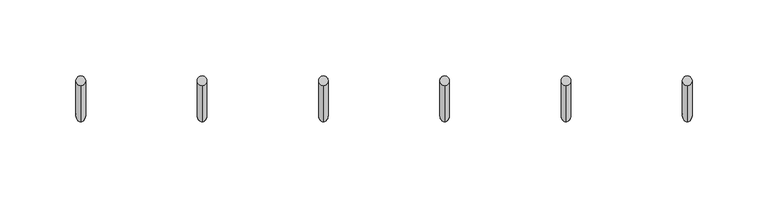
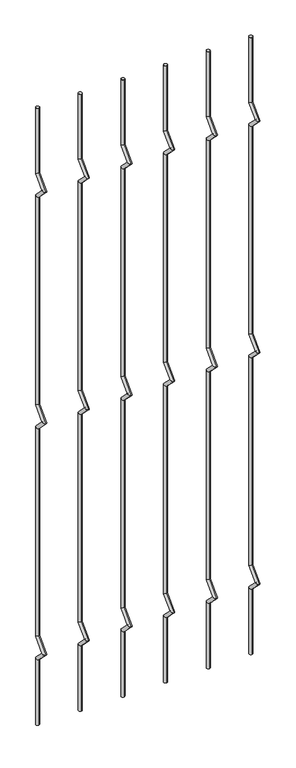
"""IFC4 building model written with IfcOpenShell, lengths in millimetres: railing geometry."""

from ifc_helpers import new_model, si_unit, frame, origin, place, context, project, spatial, circle_curve, ellipse_curve, source, transform, mapped, element, save
from ifc_brep_helpers import plane_surface, cylinder_surface, advanced_brep


def railing_c76bf7b4(model_context):
    return source(origin(), model_context, "Body", "AdvancedBrep", [
        advanced_brep(
        [(-15365.8135905, 14808.5554142, 25.4), (-15365.8135905, 14802.2054142, 25.4), (-15365.8135905, 14802.2054142, 154.0342316), (-15365.8135905, 14808.5554142, 156.6644878), (-15365.8135905, 14778.4396458, 177.8), (-15365.8135905, 14787.419902, 177.8), (-15365.8135905, 14802.2054142, 201.5657684), (-15365.8135905, 14808.5554142, 198.9355122), (-15365.8135905, 14802.2054142, 611.2342316), (-15365.8135905, 14808.5554142, 613.8644878), (-15365.8135905, 14778.4396458, 635.0), (-15365.8135905, 14787.419902, 635.0), (-15365.8135905, 14802.2054142, 658.7657684), (-15365.8135905, 14808.5554142, 656.1355122), (-15365.8135905, 14802.2054142, 1068.4342316), (-15365.8135905, 14808.5554142, 1071.0644878), (-15365.8135905, 14778.4396458, 1092.2), (-15365.8135905, 14787.419902, 1092.2), (-15365.8135905, 14802.2054142, 1115.9657684), (-15365.8135905, 14808.5554142, 1113.3355122), (-15365.8135905, 14808.5554142, 1244.6), (-15365.8135905, 14802.2054142, 1244.6)],
        [
            (0, 1, circle_curve(frame((-15365.8135905, 14805.3804142, 25.4), z_axis=(0.0, 0.0, -1.0), x_axis=(0.0, -1.0, 0.0)), 3.175)),
            (1, 0, circle_curve(frame((-15365.8135905, 14805.3804142, 25.4), z_axis=(0.0, 0.0, -1.0), x_axis=(0.0, -1.0, 0.0)), 3.175)),
            (1, 2),
            (2, 3, ellipse_curve(frame((-15365.8135905, 14805.3804142, 155.3493597), z_axis=(0.0, 0.3826834323650955, -0.9238795325112844), x_axis=(0.0, -0.9238795325112845, -0.38268343236509544)), 3.4365952, 3.175)),
            (3, 0),
            (3, 2, ellipse_curve(frame((-15365.8135905, 14805.3804142, 155.3493597), z_axis=(0.0, 0.3826834323650955, -0.9238795325112844), x_axis=(0.0, -0.9238795325112845, -0.38268343236509544)), 3.4365952, 3.175)),
            (2, 4),
            (4, 5, ellipse_curve(frame((-15365.8135905, 14782.9297739, 177.8), z_axis=(0.0, 0.0, -1.0), x_axis=(0.0, 1.0, 0.0)), 4.4901281, 3.175)),
            (5, 3),
            (5, 4, ellipse_curve(frame((-15365.8135905, 14782.9297739, 177.8), z_axis=(0.0, 0.0, -1.0), x_axis=(0.0, 1.0, 0.0)), 4.4901281, 3.175)),
            (4, 6),
            (6, 7, ellipse_curve(frame((-15365.8135905, 14805.3804142, 200.2506403), z_axis=(0.0, -0.3826834323650839, -0.9238795325112892), x_axis=(0.0, -0.9238795325112893, 0.38268343236508373)), 3.4365952, 3.175)),
            (7, 5),
            (7, 6, ellipse_curve(frame((-15365.8135905, 14805.3804142, 200.2506403), z_axis=(0.0, -0.3826834323650839, -0.9238795325112892), x_axis=(0.0, -0.9238795325112893, 0.38268343236508373)), 3.4365952, 3.175)),
            (6, 8),
            (8, 9, ellipse_curve(frame((-15365.8135905, 14805.3804142, 612.5493597), z_axis=(0.0, 0.3826834323651024, -0.9238795325112816), x_axis=(0.0, -0.9238795325112816, -0.382683432365102)), 3.4365952, 3.175)),
            (9, 7),
            (9, 8, ellipse_curve(frame((-15365.8135905, 14805.3804142, 612.5493597), z_axis=(0.0, 0.3826834323651024, -0.9238795325112816), x_axis=(0.0, -0.9238795325112816, -0.382683432365102)), 3.4365952, 3.175)),
            (8, 10),
            (10, 11, ellipse_curve(frame((-15365.8135905, 14782.9297739, 635.0), z_axis=(0.0, 0.0, -1.0), x_axis=(0.0, 1.0, 0.0)), 4.4901281, 3.175)),
            (11, 9),
            (11, 10, ellipse_curve(frame((-15365.8135905, 14782.9297739, 635.0), z_axis=(0.0, 0.0, -1.0), x_axis=(0.0, 1.0, 0.0)), 4.4901281, 3.175)),
            (10, 12),
            (12, 13, ellipse_curve(frame((-15365.8135905, 14805.3804142, 657.4506403), z_axis=(0.0, -0.3826834323650771, -0.923879532511292), x_axis=(0.0, -0.9238795325112918, 0.3826834323650773)), 3.4365952, 3.175)),
            (13, 11),
            (13, 12, ellipse_curve(frame((-15365.8135905, 14805.3804142, 657.4506403), z_axis=(0.0, -0.3826834323650771, -0.923879532511292), x_axis=(0.0, -0.9238795325112918, 0.3826834323650773)), 3.4365952, 3.175)),
            (12, 14),
            (14, 15, ellipse_curve(frame((-15365.8135905, 14805.3804142, 1069.7493597), z_axis=(0.0, 0.3826834323650978, -0.9238795325112834), x_axis=(0.0, -0.9238795325112834, -0.382683432365098)), 3.4365952, 3.175)),
            (15, 13),
            (15, 14, ellipse_curve(frame((-15365.8135905, 14805.3804142, 1069.7493597), z_axis=(0.0, 0.3826834323650978, -0.9238795325112834), x_axis=(0.0, -0.9238795325112834, -0.382683432365098)), 3.4365952, 3.175)),
            (14, 16),
            (16, 17, ellipse_curve(frame((-15365.8135905, 14782.9297739, 1092.2), z_axis=(0.0, 0.0, -1.0), x_axis=(0.0, 1.0, 0.0)), 4.4901281, 3.175)),
            (17, 15),
            (17, 16, ellipse_curve(frame((-15365.8135905, 14782.9297739, 1092.2), z_axis=(0.0, 0.0, -1.0), x_axis=(0.0, 1.0, 0.0)), 4.4901281, 3.175)),
            (16, 18),
            (18, 19, ellipse_curve(frame((-15365.8135905, 14805.3804142, 1114.6506403), z_axis=(0.0, -0.38268343236508223, -0.9238795325112898), x_axis=(0.0, -0.92387953251129, 0.38268343236508207)), 3.4365952, 3.175)),
            (19, 17),
            (19, 18, ellipse_curve(frame((-15365.8135905, 14805.3804142, 1114.6506403), z_axis=(0.0, -0.38268343236508223, -0.9238795325112898), x_axis=(0.0, -0.92387953251129, 0.38268343236508207)), 3.4365952, 3.175)),
            (20, 21, circle_curve(frame((-15365.8135905, 14805.3804142, 1244.6), z_axis=(0.0, 0.0, 1.0), x_axis=(0.0, -1.0, 0.0)), 3.175)),
            (21, 20, circle_curve(frame((-15365.8135905, 14805.3804142, 1244.6), z_axis=(0.0, 0.0, 1.0), x_axis=(0.0, -1.0, 0.0)), 3.175)),
            (18, 21),
            (20, 19),
        ],
        [
            plane_surface(frame((-15365.8135905, 14805.3804142, 25.4), z_axis=(0.0, 0.0, -1.0), x_axis=(-1.0, 0.0, 0.0))),
            cylinder_surface(frame((-15365.8135905, 14805.3804142, 25.4), z_axis=(0.0, 0.0, -1.0), x_axis=(0.0, -1.0, 0.0)), 3.175),
            cylinder_surface(frame((-15365.8135905, 14805.3804142, 155.3493597), z_axis=(0.0, 0.7071067811865563, -0.7071067811865388), x_axis=(0.0, -0.7071067811865388, -0.7071067811865563)), 3.175),
            cylinder_surface(frame((-15365.8135905, 14782.9297739, 177.8), z_axis=(0.0, -0.7071067811865385, -0.7071067811865568), x_axis=(0.0, -0.7071067811865568, 0.7071067811865385)), 3.175),
            cylinder_surface(frame((-15365.8135905, 14805.3804142, 200.2506403), z_axis=(0.0, 0.0, -1.0), x_axis=(0.0, -1.0, 0.0)), 3.175),
            cylinder_surface(frame((-15365.8135905, 14805.3804142, 612.5493597), z_axis=(0.0, 0.7071067811865669, -0.707106781186528), x_axis=(0.0, -0.707106781186528, -0.7071067811865669)), 3.175),
            cylinder_surface(frame((-15365.8135905, 14782.9297739, 635.0), z_axis=(0.0, -0.7071067811865279, -0.7071067811865672), x_axis=(0.0, -0.7071067811865672, 0.7071067811865279)), 3.175),
            cylinder_surface(frame((-15365.8135905, 14805.3804142, 657.4506403), z_axis=(0.0, 0.0, -1.0), x_axis=(0.0, -1.0, 0.0)), 3.175),
            cylinder_surface(frame((-15365.8135905, 14805.3804142, 1069.7493597), z_axis=(0.0, 0.7071067811865601, -0.707106781186535), x_axis=(0.0, -0.707106781186535, -0.7071067811865601)), 3.175),
            cylinder_surface(frame((-15365.8135905, 14782.9297739, 1092.2), z_axis=(0.0, -0.7071067811865356, -0.7071067811865596), x_axis=(0.0, -0.7071067811865596, 0.7071067811865356)), 3.175),
            plane_surface(frame((-15365.8135905, 14805.3804142, 1244.6), z_axis=(0.0, 0.0, 1.0), x_axis=(-1.0, 0.0, 0.0))),
            cylinder_surface(frame((-15365.8135905, 14805.3804142, 1114.6506403), z_axis=(0.0, 0.0, -1.0), x_axis=(0.0, -1.0, 0.0)), 3.175),
        ],
        [
            (0, [[1, 2]]),
            (1, [[3, 4, 5, -2]]),
            (1, [[-5, 6, -3, -1]]),
            (2, [[7, 8, 9, -4]]),
            (2, [[-9, 10, -7, -6]]),
            (3, [[11, 12, 13, -8]]),
            (3, [[-13, 14, -11, -10]]),
            (4, [[15, 16, 17, -12]]),
            (4, [[-17, 18, -15, -14]]),
            (5, [[19, 20, 21, -16]]),
            (5, [[-21, 22, -19, -18]]),
            (6, [[23, 24, 25, -20]]),
            (6, [[-25, 26, -23, -22]]),
            (7, [[27, 28, 29, -24]]),
            (7, [[-29, 30, -27, -26]]),
            (8, [[31, 32, 33, -28]]),
            (8, [[-33, 34, -31, -30]]),
            (9, [[35, 36, 37, -32]]),
            (9, [[-37, 38, -35, -34]]),
            (10, [[39, 40]]),
            (11, [[41, -39, 42, -36]]),
            (11, [[-42, -40, -41, -38]]),
        ],
    ),
        advanced_brep(
        [(-15285.9372747, 14808.5554142, 25.4), (-15285.9372747, 14802.2054142, 25.4), (-15285.9372747, 14802.2054142, 154.0342316), (-15285.9372747, 14808.5554142, 156.6644878), (-15285.9372747, 14778.4396458, 177.8), (-15285.9372747, 14787.419902, 177.8), (-15285.9372747, 14802.2054142, 201.5657684), (-15285.9372747, 14808.5554142, 198.9355122), (-15285.9372747, 14802.2054142, 611.2342316), (-15285.9372747, 14808.5554142, 613.8644878), (-15285.9372747, 14778.4396458, 635.0), (-15285.9372747, 14787.419902, 635.0), (-15285.9372747, 14802.2054142, 658.7657684), (-15285.9372747, 14808.5554142, 656.1355122), (-15285.9372747, 14802.2054142, 1068.4342316), (-15285.9372747, 14808.5554142, 1071.0644878), (-15285.9372747, 14778.4396458, 1092.2), (-15285.9372747, 14787.419902, 1092.2), (-15285.9372747, 14802.2054142, 1115.9657684), (-15285.9372747, 14808.5554142, 1113.3355122), (-15285.9372747, 14808.5554142, 1244.6), (-15285.9372747, 14802.2054142, 1244.6)],
        [
            (0, 1, circle_curve(frame((-15285.9372747, 14805.3804142, 25.4), z_axis=(0.0, 0.0, -1.0), x_axis=(0.0, -1.0, 0.0)), 3.175)),
            (1, 0, circle_curve(frame((-15285.9372747, 14805.3804142, 25.4), z_axis=(0.0, 0.0, -1.0), x_axis=(0.0, -1.0, 0.0)), 3.175)),
            (1, 2),
            (2, 3, ellipse_curve(frame((-15285.9372747, 14805.3804142, 155.3493597), z_axis=(0.0, 0.3826834323650955, -0.9238795325112844), x_axis=(0.0, -0.9238795325112845, -0.38268343236509544)), 3.4365952, 3.175)),
            (3, 0),
            (3, 2, ellipse_curve(frame((-15285.9372747, 14805.3804142, 155.3493597), z_axis=(0.0, 0.3826834323650955, -0.9238795325112844), x_axis=(0.0, -0.9238795325112845, -0.38268343236509544)), 3.4365952, 3.175)),
            (2, 4),
            (4, 5, ellipse_curve(frame((-15285.9372747, 14782.9297739, 177.8), z_axis=(0.0, 0.0, -1.0), x_axis=(0.0, 1.0, 0.0)), 4.4901281, 3.175)),
            (5, 3),
            (5, 4, ellipse_curve(frame((-15285.9372747, 14782.9297739, 177.8), z_axis=(0.0, 0.0, -1.0), x_axis=(0.0, 1.0, 0.0)), 4.4901281, 3.175)),
            (4, 6),
            (6, 7, ellipse_curve(frame((-15285.9372747, 14805.3804142, 200.2506403), z_axis=(0.0, -0.3826834323650839, -0.9238795325112892), x_axis=(0.0, -0.9238795325112893, 0.38268343236508373)), 3.4365952, 3.175)),
            (7, 5),
            (7, 6, ellipse_curve(frame((-15285.9372747, 14805.3804142, 200.2506403), z_axis=(0.0, -0.3826834323650839, -0.9238795325112892), x_axis=(0.0, -0.9238795325112893, 0.38268343236508373)), 3.4365952, 3.175)),
            (6, 8),
            (8, 9, ellipse_curve(frame((-15285.9372747, 14805.3804142, 612.5493597), z_axis=(0.0, 0.3826834323651024, -0.9238795325112816), x_axis=(0.0, -0.9238795325112816, -0.382683432365102)), 3.4365952, 3.175)),
            (9, 7),
            (9, 8, ellipse_curve(frame((-15285.9372747, 14805.3804142, 612.5493597), z_axis=(0.0, 0.3826834323651024, -0.9238795325112816), x_axis=(0.0, -0.9238795325112816, -0.382683432365102)), 3.4365952, 3.175)),
            (8, 10),
            (10, 11, ellipse_curve(frame((-15285.9372747, 14782.9297739, 635.0), z_axis=(0.0, 0.0, -1.0), x_axis=(0.0, 1.0, 0.0)), 4.4901281, 3.175)),
            (11, 9),
            (11, 10, ellipse_curve(frame((-15285.9372747, 14782.9297739, 635.0), z_axis=(0.0, 0.0, -1.0), x_axis=(0.0, 1.0, 0.0)), 4.4901281, 3.175)),
            (10, 12),
            (12, 13, ellipse_curve(frame((-15285.9372747, 14805.3804142, 657.4506403), z_axis=(0.0, -0.3826834323650771, -0.923879532511292), x_axis=(0.0, -0.9238795325112918, 0.3826834323650773)), 3.4365952, 3.175)),
            (13, 11),
            (13, 12, ellipse_curve(frame((-15285.9372747, 14805.3804142, 657.4506403), z_axis=(0.0, -0.3826834323650771, -0.923879532511292), x_axis=(0.0, -0.9238795325112918, 0.3826834323650773)), 3.4365952, 3.175)),
            (12, 14),
            (14, 15, ellipse_curve(frame((-15285.9372747, 14805.3804142, 1069.7493597), z_axis=(0.0, 0.3826834323650978, -0.9238795325112834), x_axis=(0.0, -0.9238795325112834, -0.382683432365098)), 3.4365952, 3.175)),
            (15, 13),
            (15, 14, ellipse_curve(frame((-15285.9372747, 14805.3804142, 1069.7493597), z_axis=(0.0, 0.3826834323650978, -0.9238795325112834), x_axis=(0.0, -0.9238795325112834, -0.382683432365098)), 3.4365952, 3.175)),
            (14, 16),
            (16, 17, ellipse_curve(frame((-15285.9372747, 14782.9297739, 1092.2), z_axis=(0.0, 0.0, -1.0), x_axis=(0.0, 1.0, 0.0)), 4.4901281, 3.175)),
            (17, 15),
            (17, 16, ellipse_curve(frame((-15285.9372747, 14782.9297739, 1092.2), z_axis=(0.0, 0.0, -1.0), x_axis=(0.0, 1.0, 0.0)), 4.4901281, 3.175)),
            (16, 18),
            (18, 19, ellipse_curve(frame((-15285.9372747, 14805.3804142, 1114.6506403), z_axis=(0.0, -0.38268343236508223, -0.9238795325112898), x_axis=(0.0, -0.92387953251129, 0.38268343236508207)), 3.4365952, 3.175)),
            (19, 17),
            (19, 18, ellipse_curve(frame((-15285.9372747, 14805.3804142, 1114.6506403), z_axis=(0.0, -0.38268343236508223, -0.9238795325112898), x_axis=(0.0, -0.92387953251129, 0.38268343236508207)), 3.4365952, 3.175)),
            (20, 21, circle_curve(frame((-15285.9372747, 14805.3804142, 1244.6), z_axis=(0.0, 0.0, 1.0), x_axis=(0.0, -1.0, 0.0)), 3.175)),
            (21, 20, circle_curve(frame((-15285.9372747, 14805.3804142, 1244.6), z_axis=(0.0, 0.0, 1.0), x_axis=(0.0, -1.0, 0.0)), 3.175)),
            (18, 21),
            (20, 19),
        ],
        [
            plane_surface(frame((-15285.9372747, 14805.3804142, 25.4), z_axis=(0.0, 0.0, -1.0), x_axis=(-1.0, 0.0, 0.0))),
            cylinder_surface(frame((-15285.9372747, 14805.3804142, 25.4), z_axis=(0.0, 0.0, -1.0), x_axis=(0.0, -1.0, 0.0)), 3.175),
            cylinder_surface(frame((-15285.9372747, 14805.3804142, 155.3493597), z_axis=(0.0, 0.7071067811865563, -0.7071067811865388), x_axis=(0.0, -0.7071067811865388, -0.7071067811865563)), 3.175),
            cylinder_surface(frame((-15285.9372747, 14782.9297739, 177.8), z_axis=(0.0, -0.7071067811865385, -0.7071067811865568), x_axis=(0.0, -0.7071067811865568, 0.7071067811865385)), 3.175),
            cylinder_surface(frame((-15285.9372747, 14805.3804142, 200.2506403), z_axis=(0.0, 0.0, -1.0), x_axis=(0.0, -1.0, 0.0)), 3.175),
            cylinder_surface(frame((-15285.9372747, 14805.3804142, 612.5493597), z_axis=(0.0, 0.7071067811865669, -0.707106781186528), x_axis=(0.0, -0.707106781186528, -0.7071067811865669)), 3.175),
            cylinder_surface(frame((-15285.9372747, 14782.9297739, 635.0), z_axis=(0.0, -0.7071067811865279, -0.7071067811865672), x_axis=(0.0, -0.7071067811865672, 0.7071067811865279)), 3.175),
            cylinder_surface(frame((-15285.9372747, 14805.3804142, 657.4506403), z_axis=(0.0, 0.0, -1.0), x_axis=(0.0, -1.0, 0.0)), 3.175),
            cylinder_surface(frame((-15285.9372747, 14805.3804142, 1069.7493597), z_axis=(0.0, 0.7071067811865601, -0.707106781186535), x_axis=(0.0, -0.707106781186535, -0.7071067811865601)), 3.175),
            cylinder_surface(frame((-15285.9372747, 14782.9297739, 1092.2), z_axis=(0.0, -0.7071067811865356, -0.7071067811865596), x_axis=(0.0, -0.7071067811865596, 0.7071067811865356)), 3.175),
            plane_surface(frame((-15285.9372747, 14805.3804142, 1244.6), z_axis=(0.0, 0.0, 1.0), x_axis=(-1.0, 0.0, 0.0))),
            cylinder_surface(frame((-15285.9372747, 14805.3804142, 1114.6506403), z_axis=(0.0, 0.0, -1.0), x_axis=(0.0, -1.0, 0.0)), 3.175),
        ],
        [
            (0, [[1, 2]]),
            (1, [[3, 4, 5, -2]]),
            (1, [[-5, 6, -3, -1]]),
            (2, [[7, 8, 9, -4]]),
            (2, [[-9, 10, -7, -6]]),
            (3, [[11, 12, 13, -8]]),
            (3, [[-13, 14, -11, -10]]),
            (4, [[15, 16, 17, -12]]),
            (4, [[-17, 18, -15, -14]]),
            (5, [[19, 20, 21, -16]]),
            (5, [[-21, 22, -19, -18]]),
            (6, [[23, 24, 25, -20]]),
            (6, [[-25, 26, -23, -22]]),
            (7, [[27, 28, 29, -24]]),
            (7, [[-29, 30, -27, -26]]),
            (8, [[31, 32, 33, -28]]),
            (8, [[-33, 34, -31, -30]]),
            (9, [[35, 36, 37, -32]]),
            (9, [[-37, 38, -35, -34]]),
            (10, [[39, 40]]),
            (11, [[41, -39, 42, -36]]),
            (11, [[-42, -40, -41, -38]]),
        ],
    ),
        advanced_brep(
        [(-15206.0609589, 14808.5554142, 25.4), (-15206.0609589, 14802.2054142, 25.4), (-15206.0609589, 14802.2054142, 154.0342316), (-15206.0609589, 14808.5554142, 156.6644878), (-15206.0609589, 14778.4396458, 177.8), (-15206.0609589, 14787.419902, 177.8), (-15206.0609589, 14802.2054142, 201.5657684), (-15206.0609589, 14808.5554142, 198.9355122), (-15206.0609589, 14802.2054142, 611.2342316), (-15206.0609589, 14808.5554142, 613.8644878), (-15206.0609589, 14778.4396458, 635.0), (-15206.0609589, 14787.419902, 635.0), (-15206.0609589, 14802.2054142, 658.7657684), (-15206.0609589, 14808.5554142, 656.1355122), (-15206.0609589, 14802.2054142, 1068.4342316), (-15206.0609589, 14808.5554142, 1071.0644878), (-15206.0609589, 14778.4396458, 1092.2), (-15206.0609589, 14787.419902, 1092.2), (-15206.0609589, 14802.2054142, 1115.9657684), (-15206.0609589, 14808.5554142, 1113.3355122), (-15206.0609589, 14808.5554142, 1244.6), (-15206.0609589, 14802.2054142, 1244.6)],
        [
            (0, 1, circle_curve(frame((-15206.0609589, 14805.3804142, 25.4), z_axis=(0.0, 0.0, -1.0), x_axis=(0.0, -1.0, 0.0)), 3.175)),
            (1, 0, circle_curve(frame((-15206.0609589, 14805.3804142, 25.4), z_axis=(0.0, 0.0, -1.0), x_axis=(0.0, -1.0, 0.0)), 3.175)),
            (1, 2),
            (2, 3, ellipse_curve(frame((-15206.0609589, 14805.3804142, 155.3493597), z_axis=(0.0, 0.3826834323650955, -0.9238795325112844), x_axis=(0.0, -0.9238795325112845, -0.38268343236509544)), 3.4365952, 3.175)),
            (3, 0),
            (3, 2, ellipse_curve(frame((-15206.0609589, 14805.3804142, 155.3493597), z_axis=(0.0, 0.3826834323650955, -0.9238795325112844), x_axis=(0.0, -0.9238795325112845, -0.38268343236509544)), 3.4365952, 3.175)),
            (2, 4),
            (4, 5, ellipse_curve(frame((-15206.0609589, 14782.9297739, 177.8), z_axis=(0.0, 0.0, -1.0), x_axis=(0.0, 1.0, 0.0)), 4.4901281, 3.175)),
            (5, 3),
            (5, 4, ellipse_curve(frame((-15206.0609589, 14782.9297739, 177.8), z_axis=(0.0, 0.0, -1.0), x_axis=(0.0, 1.0, 0.0)), 4.4901281, 3.175)),
            (4, 6),
            (6, 7, ellipse_curve(frame((-15206.0609589, 14805.3804142, 200.2506403), z_axis=(0.0, -0.3826834323650839, -0.9238795325112892), x_axis=(0.0, -0.9238795325112893, 0.38268343236508373)), 3.4365952, 3.175)),
            (7, 5),
            (7, 6, ellipse_curve(frame((-15206.0609589, 14805.3804142, 200.2506403), z_axis=(0.0, -0.3826834323650839, -0.9238795325112892), x_axis=(0.0, -0.9238795325112893, 0.38268343236508373)), 3.4365952, 3.175)),
            (6, 8),
            (8, 9, ellipse_curve(frame((-15206.0609589, 14805.3804142, 612.5493597), z_axis=(0.0, 0.3826834323651024, -0.9238795325112816), x_axis=(0.0, -0.9238795325112816, -0.382683432365102)), 3.4365952, 3.175)),
            (9, 7),
            (9, 8, ellipse_curve(frame((-15206.0609589, 14805.3804142, 612.5493597), z_axis=(0.0, 0.3826834323651024, -0.9238795325112816), x_axis=(0.0, -0.9238795325112816, -0.382683432365102)), 3.4365952, 3.175)),
            (8, 10),
            (10, 11, ellipse_curve(frame((-15206.0609589, 14782.9297739, 635.0), z_axis=(0.0, 0.0, -1.0), x_axis=(0.0, 1.0, 0.0)), 4.4901281, 3.175)),
            (11, 9),
            (11, 10, ellipse_curve(frame((-15206.0609589, 14782.9297739, 635.0), z_axis=(0.0, 0.0, -1.0), x_axis=(0.0, 1.0, 0.0)), 4.4901281, 3.175)),
            (10, 12),
            (12, 13, ellipse_curve(frame((-15206.0609589, 14805.3804142, 657.4506403), z_axis=(0.0, -0.3826834323650771, -0.923879532511292), x_axis=(0.0, -0.9238795325112918, 0.3826834323650773)), 3.4365952, 3.175)),
            (13, 11),
            (13, 12, ellipse_curve(frame((-15206.0609589, 14805.3804142, 657.4506403), z_axis=(0.0, -0.3826834323650771, -0.923879532511292), x_axis=(0.0, -0.9238795325112918, 0.3826834323650773)), 3.4365952, 3.175)),
            (12, 14),
            (14, 15, ellipse_curve(frame((-15206.0609589, 14805.3804142, 1069.7493597), z_axis=(0.0, 0.3826834323650978, -0.9238795325112834), x_axis=(0.0, -0.9238795325112834, -0.382683432365098)), 3.4365952, 3.175)),
            (15, 13),
            (15, 14, ellipse_curve(frame((-15206.0609589, 14805.3804142, 1069.7493597), z_axis=(0.0, 0.3826834323650978, -0.9238795325112834), x_axis=(0.0, -0.9238795325112834, -0.382683432365098)), 3.4365952, 3.175)),
            (14, 16),
            (16, 17, ellipse_curve(frame((-15206.0609589, 14782.9297739, 1092.2), z_axis=(0.0, 0.0, -1.0), x_axis=(0.0, 1.0, 0.0)), 4.4901281, 3.175)),
            (17, 15),
            (17, 16, ellipse_curve(frame((-15206.0609589, 14782.9297739, 1092.2), z_axis=(0.0, 0.0, -1.0), x_axis=(0.0, 1.0, 0.0)), 4.4901281, 3.175)),
            (16, 18),
            (18, 19, ellipse_curve(frame((-15206.0609589, 14805.3804142, 1114.6506403), z_axis=(0.0, -0.38268343236508223, -0.9238795325112898), x_axis=(0.0, -0.92387953251129, 0.38268343236508207)), 3.4365952, 3.175)),
            (19, 17),
            (19, 18, ellipse_curve(frame((-15206.0609589, 14805.3804142, 1114.6506403), z_axis=(0.0, -0.38268343236508223, -0.9238795325112898), x_axis=(0.0, -0.92387953251129, 0.38268343236508207)), 3.4365952, 3.175)),
            (20, 21, circle_curve(frame((-15206.0609589, 14805.3804142, 1244.6), z_axis=(0.0, 0.0, 1.0), x_axis=(0.0, -1.0, 0.0)), 3.175)),
            (21, 20, circle_curve(frame((-15206.0609589, 14805.3804142, 1244.6), z_axis=(0.0, 0.0, 1.0), x_axis=(0.0, -1.0, 0.0)), 3.175)),
            (18, 21),
            (20, 19),
        ],
        [
            plane_surface(frame((-15206.0609589, 14805.3804142, 25.4), z_axis=(0.0, 0.0, -1.0), x_axis=(-1.0, 0.0, 0.0))),
            cylinder_surface(frame((-15206.0609589, 14805.3804142, 25.4), z_axis=(0.0, 0.0, -1.0), x_axis=(0.0, -1.0, 0.0)), 3.175),
            cylinder_surface(frame((-15206.0609589, 14805.3804142, 155.3493597), z_axis=(0.0, 0.7071067811865563, -0.7071067811865388), x_axis=(0.0, -0.7071067811865388, -0.7071067811865563)), 3.175),
            cylinder_surface(frame((-15206.0609589, 14782.9297739, 177.8), z_axis=(0.0, -0.7071067811865385, -0.7071067811865568), x_axis=(0.0, -0.7071067811865568, 0.7071067811865385)), 3.175),
            cylinder_surface(frame((-15206.0609589, 14805.3804142, 200.2506403), z_axis=(0.0, 0.0, -1.0), x_axis=(0.0, -1.0, 0.0)), 3.175),
            cylinder_surface(frame((-15206.0609589, 14805.3804142, 612.5493597), z_axis=(0.0, 0.7071067811865669, -0.707106781186528), x_axis=(0.0, -0.707106781186528, -0.7071067811865669)), 3.175),
            cylinder_surface(frame((-15206.0609589, 14782.9297739, 635.0), z_axis=(0.0, -0.7071067811865279, -0.7071067811865672), x_axis=(0.0, -0.7071067811865672, 0.7071067811865279)), 3.175),
            cylinder_surface(frame((-15206.0609589, 14805.3804142, 657.4506403), z_axis=(0.0, 0.0, -1.0), x_axis=(0.0, -1.0, 0.0)), 3.175),
            cylinder_surface(frame((-15206.0609589, 14805.3804142, 1069.7493597), z_axis=(0.0, 0.7071067811865601, -0.707106781186535), x_axis=(0.0, -0.707106781186535, -0.7071067811865601)), 3.175),
            cylinder_surface(frame((-15206.0609589, 14782.9297739, 1092.2), z_axis=(0.0, -0.7071067811865356, -0.7071067811865596), x_axis=(0.0, -0.7071067811865596, 0.7071067811865356)), 3.175),
            plane_surface(frame((-15206.0609589, 14805.3804142, 1244.6), z_axis=(0.0, 0.0, 1.0), x_axis=(-1.0, 0.0, 0.0))),
            cylinder_surface(frame((-15206.0609589, 14805.3804142, 1114.6506403), z_axis=(0.0, 0.0, -1.0), x_axis=(0.0, -1.0, 0.0)), 3.175),
        ],
        [
            (0, [[1, 2]]),
            (1, [[3, 4, 5, -2]]),
            (1, [[-5, 6, -3, -1]]),
            (2, [[7, 8, 9, -4]]),
            (2, [[-9, 10, -7, -6]]),
            (3, [[11, 12, 13, -8]]),
            (3, [[-13, 14, -11, -10]]),
            (4, [[15, 16, 17, -12]]),
            (4, [[-17, 18, -15, -14]]),
            (5, [[19, 20, 21, -16]]),
            (5, [[-21, 22, -19, -18]]),
            (6, [[23, 24, 25, -20]]),
            (6, [[-25, 26, -23, -22]]),
            (7, [[27, 28, 29, -24]]),
            (7, [[-29, 30, -27, -26]]),
            (8, [[31, 32, 33, -28]]),
            (8, [[-33, 34, -31, -30]]),
            (9, [[35, 36, 37, -32]]),
            (9, [[-37, 38, -35, -34]]),
            (10, [[39, 40]]),
            (11, [[41, -39, 42, -36]]),
            (11, [[-42, -40, -41, -38]]),
        ],
    ),
        advanced_brep(
        [(-15126.1846431, 14808.5554142, 25.4), (-15126.1846431, 14802.2054142, 25.4), (-15126.1846431, 14802.2054142, 154.0342316), (-15126.1846431, 14808.5554142, 156.6644878), (-15126.1846431, 14778.4396458, 177.8), (-15126.1846431, 14787.419902, 177.8), (-15126.1846431, 14802.2054142, 201.5657684), (-15126.1846431, 14808.5554142, 198.9355122), (-15126.1846431, 14802.2054142, 611.2342316), (-15126.1846431, 14808.5554142, 613.8644878), (-15126.1846431, 14778.4396458, 635.0), (-15126.1846431, 14787.419902, 635.0), (-15126.1846431, 14802.2054142, 658.7657684), (-15126.1846431, 14808.5554142, 656.1355122), (-15126.1846431, 14802.2054142, 1068.4342316), (-15126.1846431, 14808.5554142, 1071.0644878), (-15126.1846431, 14778.4396458, 1092.2), (-15126.1846431, 14787.419902, 1092.2), (-15126.1846431, 14802.2054142, 1115.9657684), (-15126.1846431, 14808.5554142, 1113.3355122), (-15126.1846431, 14808.5554142, 1244.6), (-15126.1846431, 14802.2054142, 1244.6)],
        [
            (0, 1, circle_curve(frame((-15126.1846431, 14805.3804142, 25.4), z_axis=(0.0, 0.0, -1.0), x_axis=(0.0, -1.0, 0.0)), 3.175)),
            (1, 0, circle_curve(frame((-15126.1846431, 14805.3804142, 25.4), z_axis=(0.0, 0.0, -1.0), x_axis=(0.0, -1.0, 0.0)), 3.175)),
            (1, 2),
            (2, 3, ellipse_curve(frame((-15126.1846431, 14805.3804142, 155.3493597), z_axis=(0.0, 0.3826834323650955, -0.9238795325112844), x_axis=(0.0, -0.9238795325112845, -0.38268343236509544)), 3.4365952, 3.175)),
            (3, 0),
            (3, 2, ellipse_curve(frame((-15126.1846431, 14805.3804142, 155.3493597), z_axis=(0.0, 0.3826834323650955, -0.9238795325112844), x_axis=(0.0, -0.9238795325112845, -0.38268343236509544)), 3.4365952, 3.175)),
            (2, 4),
            (4, 5, ellipse_curve(frame((-15126.1846431, 14782.9297739, 177.8), z_axis=(0.0, 0.0, -1.0), x_axis=(0.0, 1.0, 0.0)), 4.4901281, 3.175)),
            (5, 3),
            (5, 4, ellipse_curve(frame((-15126.1846431, 14782.9297739, 177.8), z_axis=(0.0, 0.0, -1.0), x_axis=(0.0, 1.0, 0.0)), 4.4901281, 3.175)),
            (4, 6),
            (6, 7, ellipse_curve(frame((-15126.1846431, 14805.3804142, 200.2506403), z_axis=(0.0, -0.3826834323650839, -0.9238795325112892), x_axis=(0.0, -0.9238795325112893, 0.38268343236508373)), 3.4365952, 3.175)),
            (7, 5),
            (7, 6, ellipse_curve(frame((-15126.1846431, 14805.3804142, 200.2506403), z_axis=(0.0, -0.3826834323650839, -0.9238795325112892), x_axis=(0.0, -0.9238795325112893, 0.38268343236508373)), 3.4365952, 3.175)),
            (6, 8),
            (8, 9, ellipse_curve(frame((-15126.1846431, 14805.3804142, 612.5493597), z_axis=(0.0, 0.3826834323651024, -0.9238795325112816), x_axis=(0.0, -0.9238795325112816, -0.382683432365102)), 3.4365952, 3.175)),
            (9, 7),
            (9, 8, ellipse_curve(frame((-15126.1846431, 14805.3804142, 612.5493597), z_axis=(0.0, 0.3826834323651024, -0.9238795325112816), x_axis=(0.0, -0.9238795325112816, -0.382683432365102)), 3.4365952, 3.175)),
            (8, 10),
            (10, 11, ellipse_curve(frame((-15126.1846431, 14782.9297739, 635.0), z_axis=(0.0, 0.0, -1.0), x_axis=(0.0, 1.0, 0.0)), 4.4901281, 3.175)),
            (11, 9),
            (11, 10, ellipse_curve(frame((-15126.1846431, 14782.9297739, 635.0), z_axis=(0.0, 0.0, -1.0), x_axis=(0.0, 1.0, 0.0)), 4.4901281, 3.175)),
            (10, 12),
            (12, 13, ellipse_curve(frame((-15126.1846431, 14805.3804142, 657.4506403), z_axis=(0.0, -0.3826834323650771, -0.923879532511292), x_axis=(0.0, -0.9238795325112918, 0.3826834323650773)), 3.4365952, 3.175)),
            (13, 11),
            (13, 12, ellipse_curve(frame((-15126.1846431, 14805.3804142, 657.4506403), z_axis=(0.0, -0.3826834323650771, -0.923879532511292), x_axis=(0.0, -0.9238795325112918, 0.3826834323650773)), 3.4365952, 3.175)),
            (12, 14),
            (14, 15, ellipse_curve(frame((-15126.1846431, 14805.3804142, 1069.7493597), z_axis=(0.0, 0.3826834323650978, -0.9238795325112834), x_axis=(0.0, -0.9238795325112834, -0.382683432365098)), 3.4365952, 3.175)),
            (15, 13),
            (15, 14, ellipse_curve(frame((-15126.1846431, 14805.3804142, 1069.7493597), z_axis=(0.0, 0.3826834323650978, -0.9238795325112834), x_axis=(0.0, -0.9238795325112834, -0.382683432365098)), 3.4365952, 3.175)),
            (14, 16),
            (16, 17, ellipse_curve(frame((-15126.1846431, 14782.9297739, 1092.2), z_axis=(0.0, 0.0, -1.0), x_axis=(0.0, 1.0, 0.0)), 4.4901281, 3.175)),
            (17, 15),
            (17, 16, ellipse_curve(frame((-15126.1846431, 14782.9297739, 1092.2), z_axis=(0.0, 0.0, -1.0), x_axis=(0.0, 1.0, 0.0)), 4.4901281, 3.175)),
            (16, 18),
            (18, 19, ellipse_curve(frame((-15126.1846431, 14805.3804142, 1114.6506403), z_axis=(0.0, -0.38268343236508223, -0.9238795325112898), x_axis=(0.0, -0.92387953251129, 0.38268343236508207)), 3.4365952, 3.175)),
            (19, 17),
            (19, 18, ellipse_curve(frame((-15126.1846431, 14805.3804142, 1114.6506403), z_axis=(0.0, -0.38268343236508223, -0.9238795325112898), x_axis=(0.0, -0.92387953251129, 0.38268343236508207)), 3.4365952, 3.175)),
            (20, 21, circle_curve(frame((-15126.1846431, 14805.3804142, 1244.6), z_axis=(0.0, 0.0, 1.0), x_axis=(0.0, -1.0, 0.0)), 3.175)),
            (21, 20, circle_curve(frame((-15126.1846431, 14805.3804142, 1244.6), z_axis=(0.0, 0.0, 1.0), x_axis=(0.0, -1.0, 0.0)), 3.175)),
            (18, 21),
            (20, 19),
        ],
        [
            plane_surface(frame((-15126.1846431, 14805.3804142, 25.4), z_axis=(0.0, 0.0, -1.0), x_axis=(-1.0, 0.0, 0.0))),
            cylinder_surface(frame((-15126.1846431, 14805.3804142, 25.4), z_axis=(0.0, 0.0, -1.0), x_axis=(0.0, -1.0, 0.0)), 3.175),
            cylinder_surface(frame((-15126.1846431, 14805.3804142, 155.3493597), z_axis=(0.0, 0.7071067811865563, -0.7071067811865388), x_axis=(0.0, -0.7071067811865388, -0.7071067811865563)), 3.175),
            cylinder_surface(frame((-15126.1846431, 14782.9297739, 177.8), z_axis=(0.0, -0.7071067811865385, -0.7071067811865568), x_axis=(0.0, -0.7071067811865568, 0.7071067811865385)), 3.175),
            cylinder_surface(frame((-15126.1846431, 14805.3804142, 200.2506403), z_axis=(0.0, 0.0, -1.0), x_axis=(0.0, -1.0, 0.0)), 3.175),
            cylinder_surface(frame((-15126.1846431, 14805.3804142, 612.5493597), z_axis=(0.0, 0.7071067811865669, -0.707106781186528), x_axis=(0.0, -0.707106781186528, -0.7071067811865669)), 3.175),
            cylinder_surface(frame((-15126.1846431, 14782.9297739, 635.0), z_axis=(0.0, -0.7071067811865279, -0.7071067811865672), x_axis=(0.0, -0.7071067811865672, 0.7071067811865279)), 3.175),
            cylinder_surface(frame((-15126.1846431, 14805.3804142, 657.4506403), z_axis=(0.0, 0.0, -1.0), x_axis=(0.0, -1.0, 0.0)), 3.175),
            cylinder_surface(frame((-15126.1846431, 14805.3804142, 1069.7493597), z_axis=(0.0, 0.7071067811865601, -0.707106781186535), x_axis=(0.0, -0.707106781186535, -0.7071067811865601)), 3.175),
            cylinder_surface(frame((-15126.1846431, 14782.9297739, 1092.2), z_axis=(0.0, -0.7071067811865356, -0.7071067811865596), x_axis=(0.0, -0.7071067811865596, 0.7071067811865356)), 3.175),
            plane_surface(frame((-15126.1846431, 14805.3804142, 1244.6), z_axis=(0.0, 0.0, 1.0), x_axis=(-1.0, 0.0, 0.0))),
            cylinder_surface(frame((-15126.1846431, 14805.3804142, 1114.6506403), z_axis=(0.0, 0.0, -1.0), x_axis=(0.0, -1.0, 0.0)), 3.175),
        ],
        [
            (0, [[1, 2]]),
            (1, [[3, 4, 5, -2]]),
            (1, [[-5, 6, -3, -1]]),
            (2, [[7, 8, 9, -4]]),
            (2, [[-9, 10, -7, -6]]),
            (3, [[11, 12, 13, -8]]),
            (3, [[-13, 14, -11, -10]]),
            (4, [[15, 16, 17, -12]]),
            (4, [[-17, 18, -15, -14]]),
            (5, [[19, 20, 21, -16]]),
            (5, [[-21, 22, -19, -18]]),
            (6, [[23, 24, 25, -20]]),
            (6, [[-25, 26, -23, -22]]),
            (7, [[27, 28, 29, -24]]),
            (7, [[-29, 30, -27, -26]]),
            (8, [[31, 32, 33, -28]]),
            (8, [[-33, 34, -31, -30]]),
            (9, [[35, 36, 37, -32]]),
            (9, [[-37, 38, -35, -34]]),
            (10, [[39, 40]]),
            (11, [[41, -39, 42, -36]]),
            (11, [[-42, -40, -41, -38]]),
        ],
    ),
        advanced_brep(
        [(-15046.3083274, 14808.5554142, 25.4), (-15046.3083274, 14802.2054142, 25.4), (-15046.3083274, 14802.2054142, 154.0342316), (-15046.3083274, 14808.5554142, 156.6644878), (-15046.3083274, 14778.4396458, 177.8), (-15046.3083274, 14787.419902, 177.8), (-15046.3083274, 14802.2054142, 201.5657684), (-15046.3083274, 14808.5554142, 198.9355122), (-15046.3083274, 14802.2054142, 611.2342316), (-15046.3083274, 14808.5554142, 613.8644878), (-15046.3083274, 14778.4396458, 635.0), (-15046.3083274, 14787.419902, 635.0), (-15046.3083274, 14802.2054142, 658.7657684), (-15046.3083274, 14808.5554142, 656.1355122), (-15046.3083274, 14802.2054142, 1068.4342316), (-15046.3083274, 14808.5554142, 1071.0644878), (-15046.3083274, 14778.4396458, 1092.2), (-15046.3083274, 14787.419902, 1092.2), (-15046.3083274, 14802.2054142, 1115.9657684), (-15046.3083274, 14808.5554142, 1113.3355122), (-15046.3083274, 14808.5554142, 1244.6), (-15046.3083274, 14802.2054142, 1244.6)],
        [
            (0, 1, circle_curve(frame((-15046.3083274, 14805.3804142, 25.4), z_axis=(0.0, 0.0, -1.0), x_axis=(0.0, -1.0, 0.0)), 3.175)),
            (1, 0, circle_curve(frame((-15046.3083274, 14805.3804142, 25.4), z_axis=(0.0, 0.0, -1.0), x_axis=(0.0, -1.0, 0.0)), 3.175)),
            (1, 2),
            (2, 3, ellipse_curve(frame((-15046.3083274, 14805.3804142, 155.3493597), z_axis=(0.0, 0.3826834323650955, -0.9238795325112844), x_axis=(0.0, -0.9238795325112845, -0.38268343236509544)), 3.4365952, 3.175)),
            (3, 0),
            (3, 2, ellipse_curve(frame((-15046.3083274, 14805.3804142, 155.3493597), z_axis=(0.0, 0.3826834323650955, -0.9238795325112844), x_axis=(0.0, -0.9238795325112845, -0.38268343236509544)), 3.4365952, 3.175)),
            (2, 4),
            (4, 5, ellipse_curve(frame((-15046.3083274, 14782.9297739, 177.8), z_axis=(0.0, 0.0, -1.0), x_axis=(0.0, 1.0, 0.0)), 4.4901281, 3.175)),
            (5, 3),
            (5, 4, ellipse_curve(frame((-15046.3083274, 14782.9297739, 177.8), z_axis=(0.0, 0.0, -1.0), x_axis=(0.0, 1.0, 0.0)), 4.4901281, 3.175)),
            (4, 6),
            (6, 7, ellipse_curve(frame((-15046.3083274, 14805.3804142, 200.2506403), z_axis=(0.0, -0.3826834323650839, -0.9238795325112892), x_axis=(0.0, -0.9238795325112893, 0.38268343236508373)), 3.4365952, 3.175)),
            (7, 5),
            (7, 6, ellipse_curve(frame((-15046.3083274, 14805.3804142, 200.2506403), z_axis=(0.0, -0.3826834323650839, -0.9238795325112892), x_axis=(0.0, -0.9238795325112893, 0.38268343236508373)), 3.4365952, 3.175)),
            (6, 8),
            (8, 9, ellipse_curve(frame((-15046.3083274, 14805.3804142, 612.5493597), z_axis=(0.0, 0.3826834323651024, -0.9238795325112816), x_axis=(0.0, -0.9238795325112816, -0.382683432365102)), 3.4365952, 3.175)),
            (9, 7),
            (9, 8, ellipse_curve(frame((-15046.3083274, 14805.3804142, 612.5493597), z_axis=(0.0, 0.3826834323651024, -0.9238795325112816), x_axis=(0.0, -0.9238795325112816, -0.382683432365102)), 3.4365952, 3.175)),
            (8, 10),
            (10, 11, ellipse_curve(frame((-15046.3083274, 14782.9297739, 635.0), z_axis=(0.0, 0.0, -1.0), x_axis=(0.0, 1.0, 0.0)), 4.4901281, 3.175)),
            (11, 9),
            (11, 10, ellipse_curve(frame((-15046.3083274, 14782.9297739, 635.0), z_axis=(0.0, 0.0, -1.0), x_axis=(0.0, 1.0, 0.0)), 4.4901281, 3.175)),
            (10, 12),
            (12, 13, ellipse_curve(frame((-15046.3083274, 14805.3804142, 657.4506403), z_axis=(0.0, -0.3826834323650771, -0.923879532511292), x_axis=(0.0, -0.9238795325112918, 0.3826834323650773)), 3.4365952, 3.175)),
            (13, 11),
            (13, 12, ellipse_curve(frame((-15046.3083274, 14805.3804142, 657.4506403), z_axis=(0.0, -0.3826834323650771, -0.923879532511292), x_axis=(0.0, -0.9238795325112918, 0.3826834323650773)), 3.4365952, 3.175)),
            (12, 14),
            (14, 15, ellipse_curve(frame((-15046.3083274, 14805.3804142, 1069.7493597), z_axis=(0.0, 0.3826834323650978, -0.9238795325112834), x_axis=(0.0, -0.9238795325112834, -0.382683432365098)), 3.4365952, 3.175)),
            (15, 13),
            (15, 14, ellipse_curve(frame((-15046.3083274, 14805.3804142, 1069.7493597), z_axis=(0.0, 0.3826834323650978, -0.9238795325112834), x_axis=(0.0, -0.9238795325112834, -0.382683432365098)), 3.4365952, 3.175)),
            (14, 16),
            (16, 17, ellipse_curve(frame((-15046.3083274, 14782.9297739, 1092.2), z_axis=(0.0, 0.0, -1.0), x_axis=(0.0, 1.0, 0.0)), 4.4901281, 3.175)),
            (17, 15),
            (17, 16, ellipse_curve(frame((-15046.3083274, 14782.9297739, 1092.2), z_axis=(0.0, 0.0, -1.0), x_axis=(0.0, 1.0, 0.0)), 4.4901281, 3.175)),
            (16, 18),
            (18, 19, ellipse_curve(frame((-15046.3083274, 14805.3804142, 1114.6506403), z_axis=(0.0, -0.38268343236508223, -0.9238795325112898), x_axis=(0.0, -0.92387953251129, 0.38268343236508207)), 3.4365952, 3.175)),
            (19, 17),
            (19, 18, ellipse_curve(frame((-15046.3083274, 14805.3804142, 1114.6506403), z_axis=(0.0, -0.38268343236508223, -0.9238795325112898), x_axis=(0.0, -0.92387953251129, 0.38268343236508207)), 3.4365952, 3.175)),
            (20, 21, circle_curve(frame((-15046.3083274, 14805.3804142, 1244.6), z_axis=(0.0, 0.0, 1.0), x_axis=(0.0, -1.0, 0.0)), 3.175)),
            (21, 20, circle_curve(frame((-15046.3083274, 14805.3804142, 1244.6), z_axis=(0.0, 0.0, 1.0), x_axis=(0.0, -1.0, 0.0)), 3.175)),
            (18, 21),
            (20, 19),
        ],
        [
            plane_surface(frame((-15046.3083274, 14805.3804142, 25.4), z_axis=(0.0, 0.0, -1.0), x_axis=(-1.0, 0.0, 0.0))),
            cylinder_surface(frame((-15046.3083274, 14805.3804142, 25.4), z_axis=(0.0, 0.0, -1.0), x_axis=(0.0, -1.0, 0.0)), 3.175),
            cylinder_surface(frame((-15046.3083274, 14805.3804142, 155.3493597), z_axis=(0.0, 0.7071067811865563, -0.7071067811865388), x_axis=(0.0, -0.7071067811865388, -0.7071067811865563)), 3.175),
            cylinder_surface(frame((-15046.3083274, 14782.9297739, 177.8), z_axis=(0.0, -0.7071067811865385, -0.7071067811865568), x_axis=(0.0, -0.7071067811865568, 0.7071067811865385)), 3.175),
            cylinder_surface(frame((-15046.3083274, 14805.3804142, 200.2506403), z_axis=(0.0, 0.0, -1.0), x_axis=(0.0, -1.0, 0.0)), 3.175),
            cylinder_surface(frame((-15046.3083274, 14805.3804142, 612.5493597), z_axis=(0.0, 0.7071067811865669, -0.707106781186528), x_axis=(0.0, -0.707106781186528, -0.7071067811865669)), 3.175),
            cylinder_surface(frame((-15046.3083274, 14782.9297739, 635.0), z_axis=(0.0, -0.7071067811865279, -0.7071067811865672), x_axis=(0.0, -0.7071067811865672, 0.7071067811865279)), 3.175),
            cylinder_surface(frame((-15046.3083274, 14805.3804142, 657.4506403), z_axis=(0.0, 0.0, -1.0), x_axis=(0.0, -1.0, 0.0)), 3.175),
            cylinder_surface(frame((-15046.3083274, 14805.3804142, 1069.7493597), z_axis=(0.0, 0.7071067811865601, -0.707106781186535), x_axis=(0.0, -0.707106781186535, -0.7071067811865601)), 3.175),
            cylinder_surface(frame((-15046.3083274, 14782.9297739, 1092.2), z_axis=(0.0, -0.7071067811865356, -0.7071067811865596), x_axis=(0.0, -0.7071067811865596, 0.7071067811865356)), 3.175),
            plane_surface(frame((-15046.3083274, 14805.3804142, 1244.6), z_axis=(0.0, 0.0, 1.0), x_axis=(-1.0, 0.0, 0.0))),
            cylinder_surface(frame((-15046.3083274, 14805.3804142, 1114.6506403), z_axis=(0.0, 0.0, -1.0), x_axis=(0.0, -1.0, 0.0)), 3.175),
        ],
        [
            (0, [[1, 2]]),
            (1, [[3, 4, 5, -2]]),
            (1, [[-5, 6, -3, -1]]),
            (2, [[7, 8, 9, -4]]),
            (2, [[-9, 10, -7, -6]]),
            (3, [[11, 12, 13, -8]]),
            (3, [[-13, 14, -11, -10]]),
            (4, [[15, 16, 17, -12]]),
            (4, [[-17, 18, -15, -14]]),
            (5, [[19, 20, 21, -16]]),
            (5, [[-21, 22, -19, -18]]),
            (6, [[23, 24, 25, -20]]),
            (6, [[-25, 26, -23, -22]]),
            (7, [[27, 28, 29, -24]]),
            (7, [[-29, 30, -27, -26]]),
            (8, [[31, 32, 33, -28]]),
            (8, [[-33, 34, -31, -30]]),
            (9, [[35, 36, 37, -32]]),
            (9, [[-37, 38, -35, -34]]),
            (10, [[39, 40]]),
            (11, [[41, -39, 42, -36]]),
            (11, [[-42, -40, -41, -38]]),
        ],
    ),
        advanced_brep(
        [(-14966.4320116, 14808.5554142, 25.4), (-14966.4320116, 14802.2054142, 25.4), (-14966.4320116, 14802.2054142, 154.0342316), (-14966.4320116, 14808.5554142, 156.6644878), (-14966.4320116, 14778.4396458, 177.8), (-14966.4320116, 14787.419902, 177.8), (-14966.4320116, 14802.2054142, 201.5657684), (-14966.4320116, 14808.5554142, 198.9355122), (-14966.4320116, 14802.2054142, 611.2342316), (-14966.4320116, 14808.5554142, 613.8644878), (-14966.4320116, 14778.4396458, 635.0), (-14966.4320116, 14787.419902, 635.0), (-14966.4320116, 14802.2054142, 658.7657684), (-14966.4320116, 14808.5554142, 656.1355122), (-14966.4320116, 14802.2054142, 1068.4342316), (-14966.4320116, 14808.5554142, 1071.0644878), (-14966.4320116, 14778.4396458, 1092.2), (-14966.4320116, 14787.419902, 1092.2), (-14966.4320116, 14802.2054142, 1115.9657684), (-14966.4320116, 14808.5554142, 1113.3355122), (-14966.4320116, 14808.5554142, 1244.6), (-14966.4320116, 14802.2054142, 1244.6)],
        [
            (0, 1, circle_curve(frame((-14966.4320116, 14805.3804142, 25.4), z_axis=(0.0, 0.0, -1.0), x_axis=(0.0, -1.0, 0.0)), 3.175)),
            (1, 0, circle_curve(frame((-14966.4320116, 14805.3804142, 25.4), z_axis=(0.0, 0.0, -1.0), x_axis=(0.0, -1.0, 0.0)), 3.175)),
            (1, 2),
            (2, 3, ellipse_curve(frame((-14966.4320116, 14805.3804142, 155.3493597), z_axis=(0.0, 0.3826834323650955, -0.9238795325112844), x_axis=(0.0, -0.9238795325112845, -0.38268343236509544)), 3.4365952, 3.175)),
            (3, 0),
            (3, 2, ellipse_curve(frame((-14966.4320116, 14805.3804142, 155.3493597), z_axis=(0.0, 0.3826834323650955, -0.9238795325112844), x_axis=(0.0, -0.9238795325112845, -0.38268343236509544)), 3.4365952, 3.175)),
            (2, 4),
            (4, 5, ellipse_curve(frame((-14966.4320116, 14782.9297739, 177.8), z_axis=(0.0, 0.0, -1.0), x_axis=(0.0, 1.0, 0.0)), 4.4901281, 3.175)),
            (5, 3),
            (5, 4, ellipse_curve(frame((-14966.4320116, 14782.9297739, 177.8), z_axis=(0.0, 0.0, -1.0), x_axis=(0.0, 1.0, 0.0)), 4.4901281, 3.175)),
            (4, 6),
            (6, 7, ellipse_curve(frame((-14966.4320116, 14805.3804142, 200.2506403), z_axis=(0.0, -0.3826834323650839, -0.9238795325112892), x_axis=(0.0, -0.9238795325112893, 0.38268343236508373)), 3.4365952, 3.175)),
            (7, 5),
            (7, 6, ellipse_curve(frame((-14966.4320116, 14805.3804142, 200.2506403), z_axis=(0.0, -0.3826834323650839, -0.9238795325112892), x_axis=(0.0, -0.9238795325112893, 0.38268343236508373)), 3.4365952, 3.175)),
            (6, 8),
            (8, 9, ellipse_curve(frame((-14966.4320116, 14805.3804142, 612.5493597), z_axis=(0.0, 0.3826834323651024, -0.9238795325112816), x_axis=(0.0, -0.9238795325112816, -0.382683432365102)), 3.4365952, 3.175)),
            (9, 7),
            (9, 8, ellipse_curve(frame((-14966.4320116, 14805.3804142, 612.5493597), z_axis=(0.0, 0.3826834323651024, -0.9238795325112816), x_axis=(0.0, -0.9238795325112816, -0.382683432365102)), 3.4365952, 3.175)),
            (8, 10),
            (10, 11, ellipse_curve(frame((-14966.4320116, 14782.9297739, 635.0), z_axis=(0.0, 0.0, -1.0), x_axis=(0.0, 1.0, 0.0)), 4.4901281, 3.175)),
            (11, 9),
            (11, 10, ellipse_curve(frame((-14966.4320116, 14782.9297739, 635.0), z_axis=(0.0, 0.0, -1.0), x_axis=(0.0, 1.0, 0.0)), 4.4901281, 3.175)),
            (10, 12),
            (12, 13, ellipse_curve(frame((-14966.4320116, 14805.3804142, 657.4506403), z_axis=(0.0, -0.3826834323650771, -0.923879532511292), x_axis=(0.0, -0.9238795325112918, 0.3826834323650773)), 3.4365952, 3.175)),
            (13, 11),
            (13, 12, ellipse_curve(frame((-14966.4320116, 14805.3804142, 657.4506403), z_axis=(0.0, -0.3826834323650771, -0.923879532511292), x_axis=(0.0, -0.9238795325112918, 0.3826834323650773)), 3.4365952, 3.175)),
            (12, 14),
            (14, 15, ellipse_curve(frame((-14966.4320116, 14805.3804142, 1069.7493597), z_axis=(0.0, 0.3826834323650978, -0.9238795325112834), x_axis=(0.0, -0.9238795325112834, -0.382683432365098)), 3.4365952, 3.175)),
            (15, 13),
            (15, 14, ellipse_curve(frame((-14966.4320116, 14805.3804142, 1069.7493597), z_axis=(0.0, 0.3826834323650978, -0.9238795325112834), x_axis=(0.0, -0.9238795325112834, -0.382683432365098)), 3.4365952, 3.175)),
            (14, 16),
            (16, 17, ellipse_curve(frame((-14966.4320116, 14782.9297739, 1092.2), z_axis=(0.0, 0.0, -1.0), x_axis=(0.0, 1.0, 0.0)), 4.4901281, 3.175)),
            (17, 15),
            (17, 16, ellipse_curve(frame((-14966.4320116, 14782.9297739, 1092.2), z_axis=(0.0, 0.0, -1.0), x_axis=(0.0, 1.0, 0.0)), 4.4901281, 3.175)),
            (16, 18),
            (18, 19, ellipse_curve(frame((-14966.4320116, 14805.3804142, 1114.6506403), z_axis=(0.0, -0.38268343236508223, -0.9238795325112898), x_axis=(0.0, -0.92387953251129, 0.38268343236508207)), 3.4365952, 3.175)),
            (19, 17),
            (19, 18, ellipse_curve(frame((-14966.4320116, 14805.3804142, 1114.6506403), z_axis=(0.0, -0.38268343236508223, -0.9238795325112898), x_axis=(0.0, -0.92387953251129, 0.38268343236508207)), 3.4365952, 3.175)),
            (20, 21, circle_curve(frame((-14966.4320116, 14805.3804142, 1244.6), z_axis=(0.0, 0.0, 1.0), x_axis=(0.0, -1.0, 0.0)), 3.175)),
            (21, 20, circle_curve(frame((-14966.4320116, 14805.3804142, 1244.6), z_axis=(0.0, 0.0, 1.0), x_axis=(0.0, -1.0, 0.0)), 3.175)),
            (18, 21),
            (20, 19),
        ],
        [
            plane_surface(frame((-14966.4320116, 14805.3804142, 25.4), z_axis=(0.0, 0.0, -1.0), x_axis=(-1.0, 0.0, 0.0))),
            cylinder_surface(frame((-14966.4320116, 14805.3804142, 25.4), z_axis=(0.0, 0.0, -1.0), x_axis=(0.0, -1.0, 0.0)), 3.175),
            cylinder_surface(frame((-14966.4320116, 14805.3804142, 155.3493597), z_axis=(0.0, 0.7071067811865563, -0.7071067811865388), x_axis=(0.0, -0.7071067811865388, -0.7071067811865563)), 3.175),
            cylinder_surface(frame((-14966.4320116, 14782.9297739, 177.8), z_axis=(0.0, -0.7071067811865385, -0.7071067811865568), x_axis=(0.0, -0.7071067811865568, 0.7071067811865385)), 3.175),
            cylinder_surface(frame((-14966.4320116, 14805.3804142, 200.2506403), z_axis=(0.0, 0.0, -1.0), x_axis=(0.0, -1.0, 0.0)), 3.175),
            cylinder_surface(frame((-14966.4320116, 14805.3804142, 612.5493597), z_axis=(0.0, 0.7071067811865669, -0.707106781186528), x_axis=(0.0, -0.707106781186528, -0.7071067811865669)), 3.175),
            cylinder_surface(frame((-14966.4320116, 14782.9297739, 635.0), z_axis=(0.0, -0.7071067811865279, -0.7071067811865672), x_axis=(0.0, -0.7071067811865672, 0.7071067811865279)), 3.175),
            cylinder_surface(frame((-14966.4320116, 14805.3804142, 657.4506403), z_axis=(0.0, 0.0, -1.0), x_axis=(0.0, -1.0, 0.0)), 3.175),
            cylinder_surface(frame((-14966.4320116, 14805.3804142, 1069.7493597), z_axis=(0.0, 0.7071067811865601, -0.707106781186535), x_axis=(0.0, -0.707106781186535, -0.7071067811865601)), 3.175),
            cylinder_surface(frame((-14966.4320116, 14782.9297739, 1092.2), z_axis=(0.0, -0.7071067811865356, -0.7071067811865596), x_axis=(0.0, -0.7071067811865596, 0.7071067811865356)), 3.175),
            plane_surface(frame((-14966.4320116, 14805.3804142, 1244.6), z_axis=(0.0, 0.0, 1.0), x_axis=(-1.0, 0.0, 0.0))),
            cylinder_surface(frame((-14966.4320116, 14805.3804142, 1114.6506403), z_axis=(0.0, 0.0, -1.0), x_axis=(0.0, -1.0, 0.0)), 3.175),
        ],
        [
            (0, [[1, 2]]),
            (1, [[3, 4, 5, -2]]),
            (1, [[-5, 6, -3, -1]]),
            (2, [[7, 8, 9, -4]]),
            (2, [[-9, 10, -7, -6]]),
            (3, [[11, 12, 13, -8]]),
            (3, [[-13, 14, -11, -10]]),
            (4, [[15, 16, 17, -12]]),
            (4, [[-17, 18, -15, -14]]),
            (5, [[19, 20, 21, -16]]),
            (5, [[-21, 22, -19, -18]]),
            (6, [[23, 24, 25, -20]]),
            (6, [[-25, 26, -23, -22]]),
            (7, [[27, 28, 29, -24]]),
            (7, [[-29, 30, -27, -26]]),
            (8, [[31, 32, 33, -28]]),
            (8, [[-33, 34, -31, -30]]),
            (9, [[35, 36, 37, -32]]),
            (9, [[-37, 38, -35, -34]]),
            (10, [[39, 40]]),
            (11, [[41, -39, 42, -36]]),
            (11, [[-42, -40, -41, -38]]),
        ],
    ),
    ])


if __name__ == "__main__":
    model = new_model("IFC4")
    model_context = context("Model", 3, world=origin())
    ifc_project = project(units=[si_unit("LENGTHUNIT", "METRE", prefix="MILLI")], contexts=[model_context])
    site = spatial("IfcSite", under=ifc_project)
    building = spatial("IfcBuilding", under=site)
    placement = place(None, origin())
    railing_shape = railing_c76bf7b4(model_context)
    element("IfcRailing", 1, at=placement, inside=building, context=model_context, shape_type="MappedRepresentation", body=[
        mapped(railing_shape, transform((0.0, 0.0, 0.0), x_axis=(1.0, 0.0, 0.0), y_axis=(0.0, 1.0, 0.0), z_axis=(0.0, 0.0, 1.0))),
    ])
    save(model, "model.ifc")
